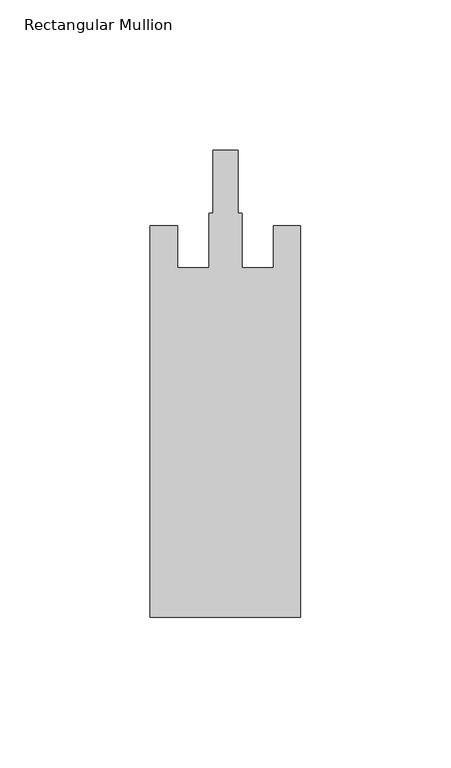
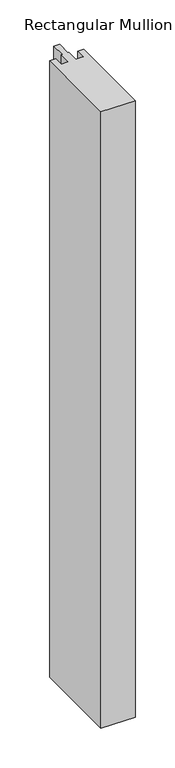
"""IFC4 building model written with IfcOpenShell, lengths in millimetres: member geometry, Rectangular Mullion."""

from ifc_helpers import new_model, si_unit, frame, origin, place, context, project, spatial, polyline, outline, extrude, source, transform, mapped, element, save


def rectangular_mullion_dd9d3bd0(model_context):
    return source(origin(), model_context, "Body", "SweptSolid", [
        extrude(outline(polyline([(-50.0, -162.0), (-50.0, -32.0), (-41.0, -32.0), (-41.0, -46.0), (-30.5, -46.0), (-30.5, -27.8), (-29.1, -27.8), (-29.1, -7.0), (-20.9, -7.0), (-20.9, -27.8), (-19.5, -27.8), (-19.5, -46.0), (-9.0, -46.0), (-9.0, -32.0), (0.0, -32.0), (0.0, -162.0), (-50.0, -162.0)])), frame((0.0, 0.0, -950.0), z_axis=(0.0, 0.0, 1.0), x_axis=(1.0, 0.0, 0.0)), (0.0, 0.0, 1.0), 950.0),
    ])


if __name__ == "__main__":
    model = new_model("IFC4")
    model_context = context("Model", 3, world=origin())
    ifc_project = project(units=[si_unit("LENGTHUNIT", "METRE", prefix="MILLI")], contexts=[model_context])
    site = spatial("IfcSite", under=ifc_project)
    building = spatial("IfcBuilding", under=site)
    placement = place(None, origin())
    rectangular_mullion_shape = rectangular_mullion_dd9d3bd0(model_context)
    element("IfcMember", 1, ObjectType="Rectangular Mullion", at=placement, inside=building, context=model_context, shape_type="MappedRepresentation", body=[
        mapped(rectangular_mullion_shape, transform((0.0, 0.0, 0.0), x_axis=(1.0, 0.0, 0.0), y_axis=(0.0, 1.0, 0.0), z_axis=(0.0, 0.0, 1.0))),
    ])
    save(model, "model.ifc")
